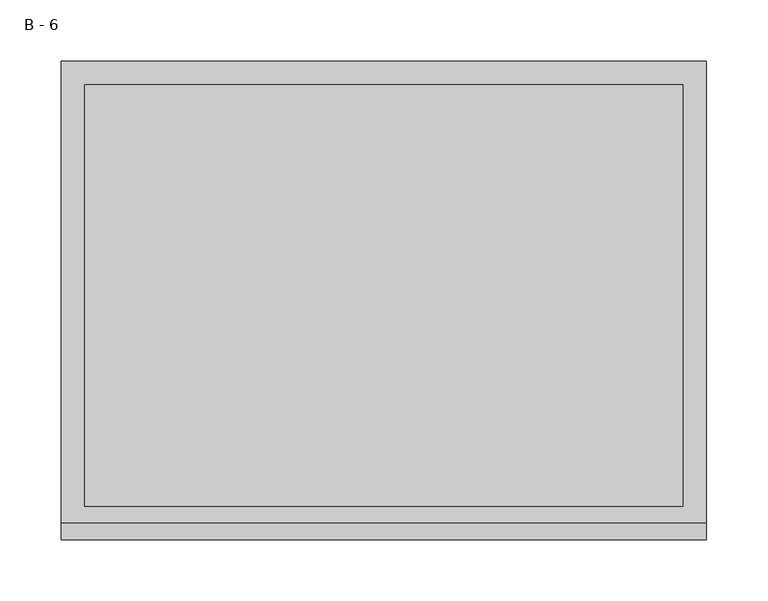
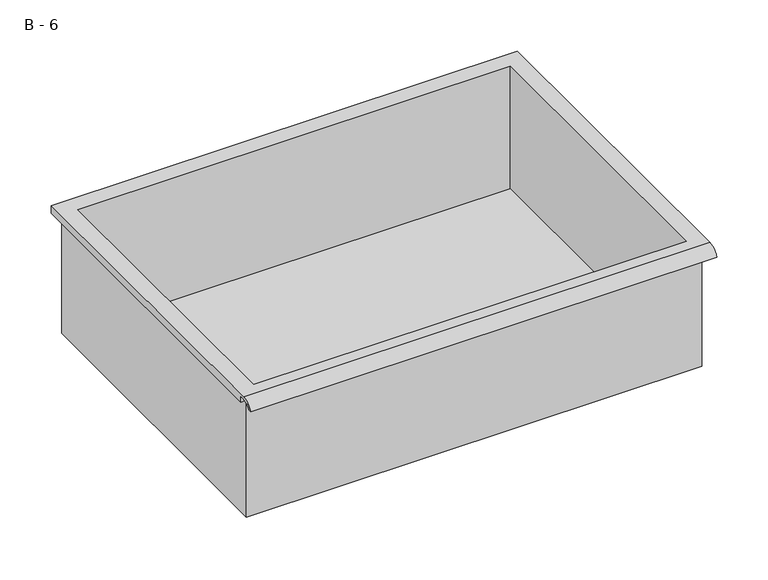
"""IFC4 building model written with IfcOpenShell, lengths in millimetres: furniture geometry, B - 6."""

from ifc_helpers import new_model, si_unit, frame, origin, place, context, project, spatial, polyline, circle_curve, source, transform, mapped, element, save
from ifc_brep_helpers import plane_surface, cylinder_surface, revolved_surface, advanced_brep


def b_6_499f2464(model_context):
    return source(origin(), model_context, "Body", "AdvancedBrep", [
        advanced_brep(
        [(-257.1076517, -176.2125, 368.2111), (257.2423483, -176.2125, 368.2111), (257.2423483, -176.2125, 507.9111), (263.5923483, -176.2125, 507.9111), (263.5923483, -176.2125, 514.2182341), (-263.4576517, -176.2125, 514.2182341), (-263.4576517, -176.2125, 507.9111), (-257.1076517, -176.2125, 507.9111), (257.2423483, 185.7375, 368.2111), (-257.1076517, 185.7375, 368.2111), (-257.1076517, 185.7375, 507.9111), (257.2423483, 185.7375, 507.9111), (263.5923483, -181.6070544, 517.4361), (263.5923483, 195.2625, 517.4361), (-263.4576517, 195.2625, 517.4361), (-263.4576517, -181.6070544, 517.4361), (244.5423483, -168.275, 517.4361), (-244.4076517, -168.275, 517.4361), (-244.4076517, 176.2125, 517.4361), (244.5423483, 176.2125, 517.4361), (263.5923483, -195.2625, 507.9111), (263.5923483, -191.8280601, 507.9111), (263.5923483, -180.4714815, 514.2182341), (263.5923483, 195.2625, 507.9111), (-263.4576517, 195.2625, 507.9111), (-263.4576517, -180.4714815, 514.2182341), (-263.4576517, -191.8280601, 507.9111), (-263.4576517, -195.2625, 507.9111), (-244.4076517, -168.275, 371.2372719), (244.5423483, -168.275, 371.2372719), (244.5423483, 176.2125, 371.2372719), (-244.4076517, 176.2125, 371.2372719)],
        [
            (0, 1),
            (1, 2),
            (2, 3),
            (3, 4),
            (4, 5),
            (5, 6),
            (6, 7),
            (7, 0),
            (8, 9),
            (9, 10),
            (10, 11),
            (11, 8),
            (0, 9),
            (8, 1),
            (11, 2),
            (12, 13),
            (13, 14),
            (14, 15),
            (15, 12),
            (16, 17),
            (17, 18),
            (18, 19),
            (19, 16),
            (7, 10),
            (12, 20, circle_curve(frame((263.5923483, -181.6070544, 502.8850859), z_axis=(1.0, 0.0, 0.0), x_axis=(0.0, 1.0, 0.0)), 14.5510141)),
            (20, 21),
            (21, 22, circle_curve(frame((263.5923483, -181.6070544, 502.8850859), z_axis=(-1.0, 0.0, 0.0), x_axis=(0.0, 1.0, 0.0)), 11.3898979)),
            (22, 4),
            (3, 23),
            (23, 13),
            (14, 24),
            (24, 6),
            (5, 25),
            (25, 26, circle_curve(frame((-263.4576517, -181.6070544, 502.8850859), z_axis=(1.0, 0.0, 0.0), x_axis=(0.0, 1.0, 0.0)), 11.3898979)),
            (26, 27),
            (27, 15, circle_curve(frame((-263.4576517, -181.6070544, 502.8850859), z_axis=(-1.0, 0.0, 0.0), x_axis=(0.0, 1.0, 0.0)), 14.5510141)),
            (27, 20),
            (26, 21),
            (25, 22),
            (24, 23),
            (28, 29),
            (29, 30),
            (30, 31),
            (31, 28),
            (28, 17),
            (16, 29),
            (19, 30),
            (18, 31),
        ],
        [
            plane_surface(frame((257.2423483, -176.2125, 368.2111), z_axis=(0.0, -1.0, 0.0), x_axis=(1.0, 0.0, 0.0))),
            plane_surface(frame((257.2423483, 185.7375, 368.2111), z_axis=(0.0, 1.0, 0.0), x_axis=(-1.0, 0.0, 0.0))),
            plane_surface(frame((-257.1076517, -176.2125, 368.2111), z_axis=(0.0, 0.0, -1.0), x_axis=(0.0, 1.0, 0.0))),
            plane_surface(frame((257.2423483, -176.2125, 368.2111), z_axis=(1.0, 0.0, 0.0), x_axis=(0.0, 1.0, 0.0))),
            plane_surface(frame((257.2423483, -176.2125, 517.4361), z_axis=(0.0, 0.0, 1.0), x_axis=(0.0, 1.0, 0.0))),
            plane_surface(frame((-257.1076517, -176.2125, 517.4361), z_axis=(-1.0, 0.0, 0.0), x_axis=(0.0, 1.0, 0.0))),
            plane_surface(frame((263.5923483, 195.2625, 517.4361), z_axis=(1.0, 0.0, 0.0), x_axis=(0.0, -1.0, 0.0))),
            plane_surface(frame((-263.4576517, 195.2625, 517.4361), z_axis=(-1.0, 0.0, 0.0), x_axis=(0.0, 1.0, 0.0))),
            cylinder_surface(frame((-263.4576517, -181.6070544, 502.8850859), z_axis=(1.0, 0.0, 0.0), x_axis=(0.0, 1.0, 0.0)), 14.5510141),
            plane_surface(frame((263.5923483, -195.2625, 507.9111), z_axis=(0.0, -7.232115144331015e-12, -1.0), x_axis=(-1.0, 0.0, 0.0))),
            revolved_surface(polyline([(-263.4576517, -170.21715650000002, 502.8850859), (263.59234829999997, -170.21715650000002, 502.8850859)]), (-263.4576517, -181.6070544, 502.8850859), (-1.0, 0.0, 0.0)),
            plane_surface(frame((263.5923483, -180.4714815, 514.2182341), z_axis=(0.0, -1.792497400177309e-11, -1.0), x_axis=(-1.0, 0.0, 0.0))),
            plane_surface(frame((263.5923483, -176.2125, 507.9111), z_axis=(0.0, 0.0, -1.0), x_axis=(-1.0, 0.0, 0.0))),
            plane_surface(frame((263.5923483, 195.2625, 507.9111), z_axis=(0.0, 1.0, 0.0), x_axis=(-1.0, 0.0, 0.0))),
            plane_surface(frame((244.5423483, -168.275, 371.2372719), z_axis=(0.0, 0.0, 1.0), x_axis=(-1.0, 0.0, 0.0))),
            plane_surface(frame((-244.4076517, -168.275, 517.4361), z_axis=(0.0, 1.0, 0.0), x_axis=(0.0, 0.0, -1.0))),
            plane_surface(frame((244.5423483, -168.275, 517.4361), z_axis=(-1.0, 0.0, 0.0), x_axis=(0.0, 0.0, -1.0))),
            plane_surface(frame((244.5423483, 176.2125, 517.4361), z_axis=(0.0, -1.0, 0.0), x_axis=(0.0, 0.0, -1.0))),
            plane_surface(frame((-244.4076517, 176.2125, 517.4361), z_axis=(1.0, 0.0, 0.0), x_axis=(0.0, 0.0, -1.0))),
        ],
        [
            (0, [[1, 2, 3, 4, 5, 6, 7, 8]]),
            (1, [[9, 10, 11, 12]]),
            (2, [[-1, 13, -9, 14]]),
            (3, [[-14, -12, 15, -2]]),
            (4, [[16, 17, 18, 19], [20, 21, 22, 23]]),
            (5, [[-13, -8, 24, -10]]),
            (6, [[-16, 25, 26, 27, 28, -4, 29, 30]]),
            (7, [[31, 32, -6, 33, 34, 35, 36, -18]]),
            (8, [[-25, -19, -36, 37]]),
            (9, [[-26, -37, -35, 38]]),
            (10, [[-27, -38, -34, 39]]),
            (11, [[-28, -39, -33, -5]]),
            (12, [[-29, -3, -15, -11, -24, -7, -32, 40]]),
            (13, [[-30, -40, -31, -17]]),
            (14, [[41, 42, 43, 44]]),
            (15, [[-41, 45, -20, 46]]),
            (16, [[-42, -46, -23, 47]]),
            (17, [[-43, -47, -22, 48]]),
            (18, [[-44, -48, -21, -45]]),
        ],
    ),
    ])


if __name__ == "__main__":
    model = new_model("IFC4")
    model_context = context("Model", 3, world=origin())
    ifc_project = project(units=[si_unit("LENGTHUNIT", "METRE", prefix="MILLI")], contexts=[model_context])
    site = spatial("IfcSite", under=ifc_project)
    building = spatial("IfcBuilding", under=site)
    placement = place(None, origin())
    b_6_shape = b_6_499f2464(model_context)
    element("IfcFurniture", 1, ObjectType="B - 6", at=placement, inside=building, context=model_context, shape_type="MappedRepresentation", body=[
        mapped(b_6_shape, transform((0.0, 0.0, 0.0), x_axis=(1.0, 0.0, 0.0), y_axis=(0.0, 1.0, 0.0), z_axis=(0.0, 0.0, 1.0))),
    ])
    save(model, "model.ifc")
